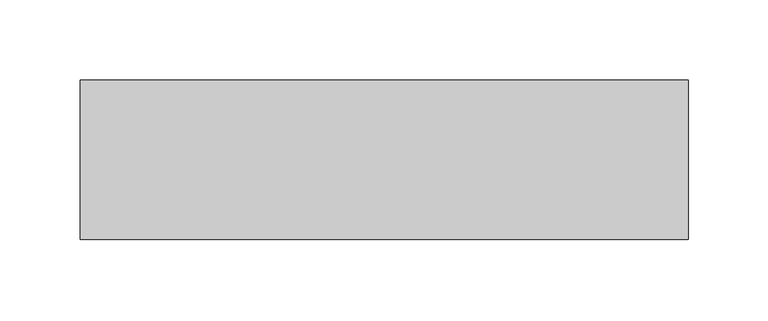
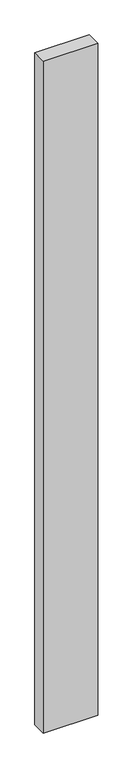
"""IFC4 building model written with IfcOpenShell, lengths in millimetres: proxy geometry."""

from ifc_helpers import new_model, si_unit, frame, origin, place, context, project, spatial, polyline, outline, extrude, source, transform, mapped, element, save


def generic_models_ba35e792(model_context):
    return source(origin(), model_context, "Body", "SweptSolid", [
        extrude(outline(polyline([(380.0, 100.0), (380.0, 0.0), (0.0, 0.0), (0.0, 100.0), (380.0, 100.0)])), frame((0.0, 0.0, -4950.0), z_axis=(0.0, 0.0, 1.0), x_axis=(1.0, 0.0, 0.0)), (0.0, 0.0, 1.0), 4950.0),
    ])


if __name__ == "__main__":
    model = new_model("IFC4")
    model_context = context("Model", 3, world=origin())
    ifc_project = project(units=[si_unit("LENGTHUNIT", "METRE", prefix="MILLI")], contexts=[model_context])
    site = spatial("IfcSite", under=ifc_project)
    building = spatial("IfcBuilding", under=site)
    placement = place(None, origin())
    generic_models_shape = generic_models_ba35e792(model_context)
    element("IfcBuildingElementProxy", 1, Name="Generic Models", at=placement, inside=building, context=model_context, shape_type="MappedRepresentation", body=[
        mapped(generic_models_shape, transform((0.0, 0.0, 0.0), x_axis=(1.0, 0.0, 0.0), y_axis=(0.0, 1.0, 0.0), z_axis=(0.0, 0.0, 1.0))),
    ])
    save(model, "model.ifc")
